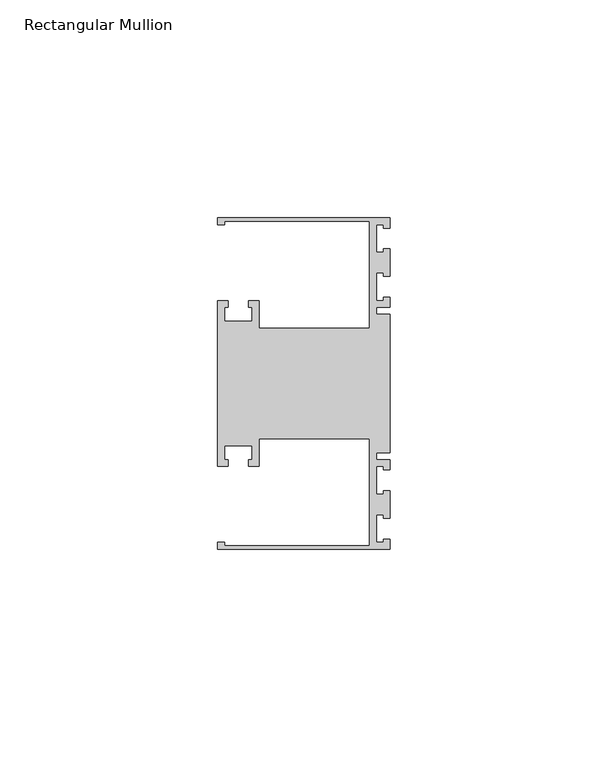
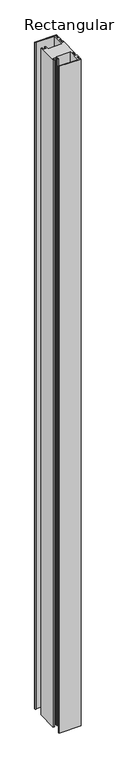
"""IFC4 building model written with IfcOpenShell, lengths in millimetres: member geometry, Rectangular Mullion."""

from ifc_helpers import new_model, si_unit, frame, origin, place, context, project, spatial, polyline, outline, extrude, source, transform, mapped, element, save


def rectangular_mullion_78507483(model_context):
    return source(origin(), model_context, "Body", "SweptSolid", [
        extrude(outline(polyline([(0.0, 38.1), (0.0, 35.71875), (-1.4999946, 35.71875), (-1.4999946, 36.5125), (-3.175, 36.5125), (-3.175, 30.1625), (-1.4999946, 30.1625), (-1.4999946, 30.95625), (0.0, 30.95625), (0.0, 24.60625), (-1.4999946, 24.60625), (-1.4999946, 25.4), (-3.175, 25.4), (-3.175, 19.05), (-1.4999946, 19.05), (-1.4999946, 19.84375), (0.0, 19.84375), (0.0, 17.4625), (-3.175, 17.4625), (-3.175, 15.875), (0.0, 15.875), (0.0, -15.875), (-3.175, -15.875), (-3.175, -17.4625), (0.0, -17.4625), (0.0, -19.84375), (-1.4999946, -19.84375), (-1.4999946, -19.05), (-3.175, -19.05), (-3.175, -25.4), (-1.4999946, -25.4), (-1.4999946, -24.60625), (0.0, -24.60625), (0.0, -30.95625), (-1.4999946, -30.95625), (-1.4999946, -30.1625), (-3.175, -30.1625), (-3.175, -36.5125), (-1.4999946, -36.5125), (-1.4999946, -35.71875), (0.0, -35.71875), (0.0, -38.1), (-39.6875, -38.1), (-39.6875, -36.5125), (-38.1, -36.5125), (-38.1, -37.30625), (-4.7625, -37.30625), (-4.7625, -12.7), (-30.1625, -12.7), (-30.1625, -19.05), (-32.54375, -19.05), (-32.54375, -17.4625), (-31.75, -17.4625), (-31.75, -14.2875), (-38.1, -14.2875), (-38.1, -17.4625), (-37.30625, -17.4625), (-37.30625, -19.05), (-39.6875, -19.05), (-39.6875, 19.05), (-37.30625, 19.05), (-37.30625, 17.4625), (-38.1, 17.4625), (-38.1, 14.2875), (-31.75, 14.2875), (-31.75, 17.4625), (-32.54375, 17.4625), (-32.54375, 19.05), (-30.1625, 19.05), (-30.1625, 12.7), (-4.7625, 12.7), (-4.7625, 37.30625), (-38.1, 37.30625), (-38.1, 36.5125), (-39.6875, 36.5125), (-39.6875, 38.1), (0.0, 38.1)])), frame((0.0, 0.0, -1270.0), z_axis=(0.0, 0.0, 1.0), x_axis=(1.0, 0.0, 0.0)), (0.0, 0.0, 1.0), 1270.0),
    ])


if __name__ == "__main__":
    model = new_model("IFC4")
    model_context = context("Model", 3, world=origin())
    ifc_project = project(units=[si_unit("LENGTHUNIT", "METRE", prefix="MILLI")], contexts=[model_context])
    site = spatial("IfcSite", under=ifc_project)
    building = spatial("IfcBuilding", under=site)
    placement = place(None, origin())
    rectangular_mullion_shape = rectangular_mullion_78507483(model_context)
    element("IfcMember", 1, ObjectType="Rectangular Mullion", at=placement, inside=building, context=model_context, shape_type="MappedRepresentation", body=[
        mapped(rectangular_mullion_shape, transform((0.0, 0.0, 0.0), x_axis=(1.0, 0.0, 0.0), y_axis=(0.0, 1.0, 0.0), z_axis=(0.0, 0.0, 1.0))),
    ])
    save(model, "model.ifc")
